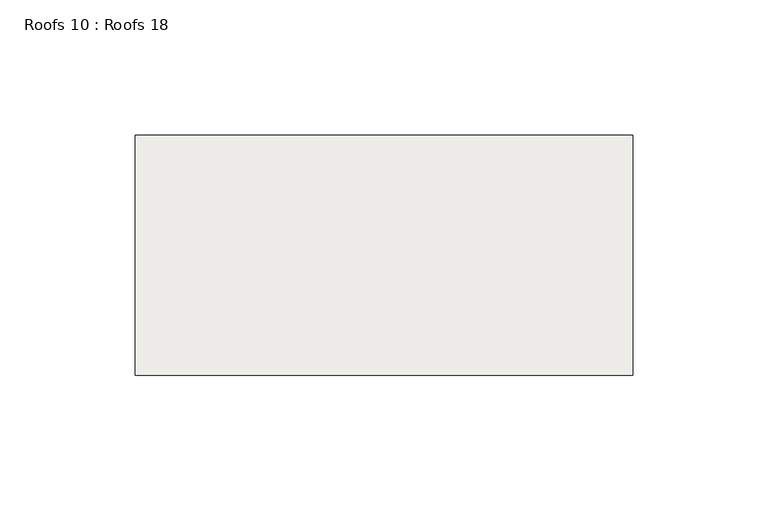
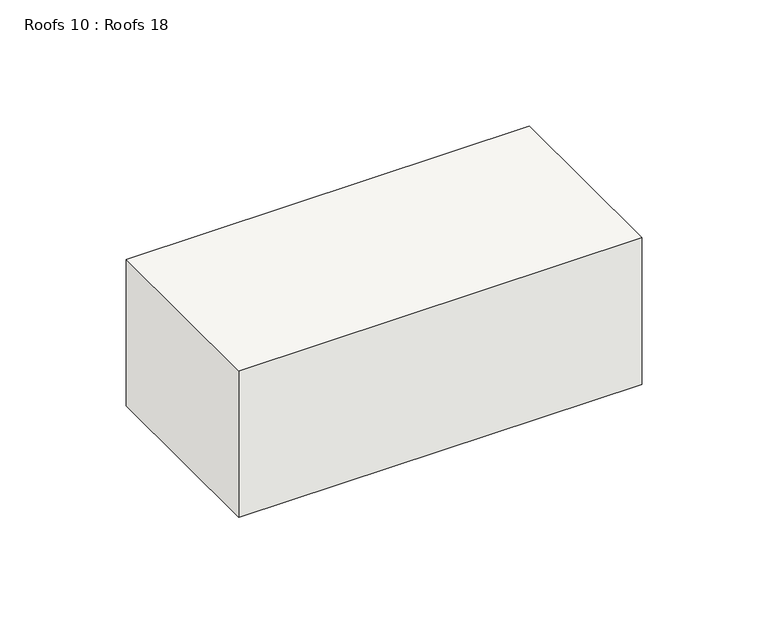
"""IFC4 building model written with IfcOpenShell, lengths in millimetres: roof geometry, Roofs 10 : Roofs 18."""

from ifc_helpers import new_model, si_unit, frame, origin, place, context, project, spatial, polyline, outline, extrude, source, transform, mapped, element, save


def roofs_10_roofs_18_ec06daa0(model_context):
    return source(origin(), model_context, "Body", "SweptSolid", [
        extrude(outline(polyline([(-3337.9851597, 3669.8939372), (-3337.9851597, 3580.9939372), (-3522.1351597, 3580.9939372), (-3522.1351597, 3669.8939372), (-3337.9851597, 3669.8939372)])), frame((0.0, 0.0, 154.9710657), z_axis=(0.0, 0.0, 1.0), x_axis=(1.0, 0.0, 0.0)), (0.0, 0.0, 1.0), 70.8274367),
    ])


if __name__ == "__main__":
    model = new_model("IFC4")
    model_context = context("Model", 3, world=origin())
    ifc_project = project(units=[si_unit("LENGTHUNIT", "METRE", prefix="MILLI")], contexts=[model_context])
    site = spatial("IfcSite", under=ifc_project)
    building = spatial("IfcBuilding", under=site)
    placement = place(None, origin())
    roofs_10_roofs_18_shape = roofs_10_roofs_18_ec06daa0(model_context)
    element("IfcRoof", 1, ObjectType="Roofs 10 : Roofs 18", at=placement, inside=building, context=model_context, shape_type="MappedRepresentation", body=[
        mapped(roofs_10_roofs_18_shape, transform((0.0, 0.0, 0.0), x_axis=(1.0, 0.0, 0.0), y_axis=(0.0, 1.0, 0.0), z_axis=(0.0, 0.0, 1.0))),
    ])
    save(model, "model.ifc")
